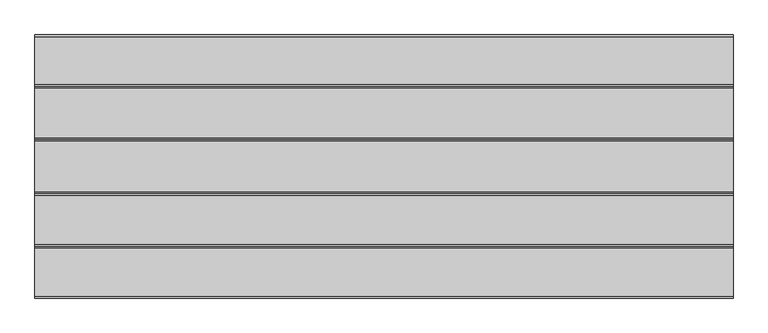
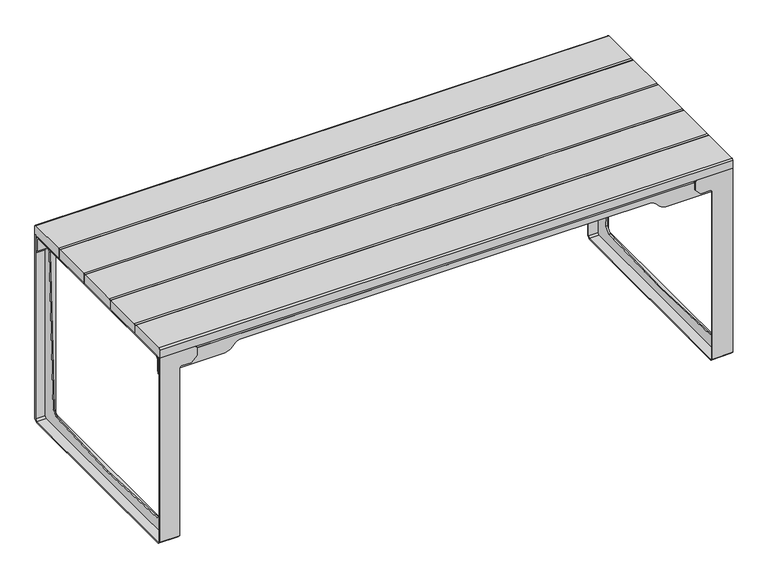
"""IFC4 building model written with IfcOpenShell, lengths in millimetres: furniture geometry."""

from ifc_helpers import new_model, si_unit, point, frame, frame_2d, origin, place, context, project, spatial, polyline, circle_curve, trimmed, segment, composite_curve, outline, extrude, faceted_brep, source, transform, mapped, element, save


def furniture_92be0917(model_context):
    return source(origin(), model_context, "Body", "SolidModel", [
        faceted_brep([(952.0001083, 356.999978, 685.0000125), (952.0001083, 366.9999853, 675.0000051), (952.0001083, 366.9999853, 673.9999935), (952.0001083, 355.9999663, 685.0000125), (995.0, -356.9999927, 685.0000125), (995.0, -367.0, 675.0000051), (995.0, -367.0, 631.0000019), (995.0, -363.0, 631.0000019), (995.0, -363.0, 675.0000017), (995.0, -356.9999995, 681.0000023), (995.0, 356.0000027, 681.0000023), (995.0, 361.9999998, 675.0000051), (995.0, 361.9999998, 631.0000019), (995.0, 366.9999853, 631.0000019), (995.0, 366.9999853, 675.0000051), (995.0, 356.999978, 685.0000125), (854.9992432, -356.9999995, 681.0000023), (854.9992432, 355.9999663, 681.0000023), (854.9992432, 355.9999663, 685.0000125), (854.9992432, -356.9999927, 685.0000125), (854.9992432, 361.9999816, 675.0000233), (854.9992432, 361.9999998, 631.0000019), (854.9992432, 366.9999853, 631.0000019), (854.9992432, 366.9999853, 673.9999935), (854.9992432, -367.0, 675.0000051), (854.9992432, -367.0, 631.0000019), (854.9992432, -363.0, 631.0000019), (854.9992432, -363.0, 675.0000017)], [[[0, 1, 2, 3]], [[4, 5, 6, 7, 8, 9, 10, 11, 12, 13, 14, 15]], [[10, 9, 16, 17]], [[4, 15, 0, 3, 18, 19]], [[11, 10, 17, 20]], [[12, 11, 20, 21]], [[13, 12, 21, 22]], [[14, 13, 22, 23, 2, 1]], [[1, 0, 15, 14]], [[5, 4, 19, 24]], [[6, 5, 24, 25]], [[7, 6, 25, 26]], [[8, 7, 26, 27]], [[16, 9, 8, 27]], [[18, 23, 22, 21, 20, 17, 16, 27, 26, 25, 24, 19]], [[23, 18, 3, 2]]]),
        faceted_brep([(925.0002029, -364.9999995, 4.0), (925.0002029, 364.999996, 4.0), (925.0002029, 370.9999955, 9.9999995), (925.0002029, 370.9999955, 626.0000164), (925.0002029, 375.0000057, 625.9997257), (925.0002029, 375.0000057, 10.000004), (925.0002029, 365.0000017, 0.0), (925.0002029, -364.9999995, 0.0), (925.0002029, -375.0, 10.0000005), (925.0002029, -375.0, 626.0000164), (925.0002029, -371.0, 625.9997257), (925.0002029, -371.0, 10.0000005), (995.0, -364.9999995, 4.0), (995.0, -371.0, 10.0000005), (995.0, -371.0, 685.0000125), (995.0, -375.0, 685.0000125), (995.0, -375.0, 10.0000005), (995.0, -364.9999995, 0.0), (995.0, 365.0000017, 0.0), (995.0, 375.0000057, 10.000004), (995.0, 375.0000057, 685.0000125), (995.0, 371.0000057, 685.0000125), (995.0, 370.9999955, 9.9999995), (995.0, 364.999996, 4.0), (919.9999268, -371.0, 631.0000019), (884.9998102, -371.0, 631.0000019), (864.9997955, -371.0, 651.0000166), (864.9997955, -371.0, 679.9997363), (870.0000717, -371.0, 685.0000125), (870.0000717, -375.0, 685.0000125), (864.9997955, -375.0, 679.9997363), (864.9997955, -375.0, 651.0000166), (884.9998102, -375.0, 631.0000019), (919.9999268, -375.0, 631.0000019), (919.9999268, 375.0000057, 631.0000019), (884.9998102, 375.0000057, 631.0000019), (864.9997955, 375.0000057, 651.0000166), (864.9997955, 375.0000057, 679.9997363), (870.0000717, 375.0000057, 685.0000125), (870.0000717, 370.9999955, 685.0000125), (864.9997955, 370.9999955, 679.9997363), (864.9997955, 370.9999955, 651.0000166), (884.9998102, 370.9999955, 631.0000019), (919.9999268, 370.9999955, 631.0000019)], [[[0, 1, 2, 3, 4, 5, 6, 7, 8, 9, 10, 11]], [[12, 13, 14, 15, 16, 17, 18, 19, 20, 21, 22, 23]], [[0, 11, 13, 12]], [[11, 10, 24, 25, 26, 27, 28, 14, 13]], [[9, 8, 16, 15, 29, 30, 31, 32, 33]], [[8, 7, 17, 16]], [[7, 6, 18, 17]], [[6, 5, 19, 18]], [[5, 4, 34, 35, 36, 37, 38, 20, 19]], [[3, 2, 22, 21, 39, 40, 41, 42, 43]], [[2, 1, 23, 22]], [[1, 0, 12, 23]], [[9, 33, 24, 10]], [[33, 32, 25, 24]], [[32, 31, 26, 25]], [[31, 30, 27, 26]], [[30, 29, 28, 27]], [[29, 15, 14, 28]], [[34, 4, 3, 43]], [[35, 34, 43, 42]], [[36, 35, 42, 41]], [[37, 36, 41, 40]], [[38, 37, 40, 39]], [[20, 38, 39, 21]]]),
        extrude(outline(polyline([(370.9999955, 10.9999996), (364.999996, 5.0), (-3.1186696, 5.0), (-365.0000005, 5.0), (-371.0, 10.9999996), (-371.0, 631.0000019), (-350.1053205, 631.0000019), (-345.6318174, 626.0000048), (-322.3575365, 63.5322821), (-304.0291968, 45.2039425), (-2.2e-06, 31.9962434), (304.0291924, 45.2039425), (322.357532, 63.5322821), (345.6318129, 626.0000048), (350.105316, 631.0000019), (370.9999955, 631.0000019), (370.9999955, 10.9999996)])), frame((957.9999329, 0.0, 0.0), z_axis=(1.0, 0.0, 0.0), x_axis=(0.0, 1.0, 0.0)), (0.0, 0.0, 1.0), 3.9997559),
        faceted_brep([(-952.0001083, 366.9999853, 675.0000051), (-952.0001083, 356.999978, 685.0000125), (-952.0001083, 355.9999663, 685.0000125), (-952.0001083, 366.9999853, 673.9999935), (-995.0, -356.9999927, 685.0000125), (-995.0, 356.999978, 685.0000125), (-995.0, 366.9999853, 675.0000051), (-995.0, 366.9999853, 631.0000019), (-995.0, 361.9999998, 631.0000019), (-995.0, 361.9999998, 675.0000051), (-995.0, 356.0000027, 681.0000023), (-995.0, -356.9999995, 681.0000023), (-995.0, -363.0, 675.0000017), (-995.0, -363.0, 631.0000019), (-995.0, -367.0, 631.0000019), (-995.0, -367.0, 675.0000051), (-854.9992432, 355.9999663, 681.0000023), (-854.9992432, -356.9999995, 681.0000023), (-854.9992432, -356.9999927, 685.0000125), (-854.9992432, 355.9999663, 685.0000125), (-854.9992432, 361.9999816, 675.0000233), (-854.9992432, 361.9999998, 631.0000019), (-854.9992432, 366.9999853, 631.0000019), (-854.9992432, 366.9999853, 673.9999935), (-854.9992432, -367.0, 675.0000051), (-854.9992432, -367.0, 631.0000019), (-854.9992432, -363.0, 631.0000019), (-854.9992432, -363.0, 675.0000017)], [[[0, 1, 2, 3]], [[4, 5, 6, 7, 8, 9, 10, 11, 12, 13, 14, 15]], [[11, 10, 16, 17]], [[5, 4, 18, 19, 2, 1]], [[16, 10, 9, 20]], [[20, 9, 8, 21]], [[21, 8, 7, 22]], [[22, 7, 6, 0, 3, 23]], [[1, 0, 6, 5]], [[18, 4, 15, 24]], [[24, 15, 14, 25]], [[25, 14, 13, 26]], [[26, 13, 12, 27]], [[27, 12, 11, 17]], [[19, 18, 24, 25, 26, 27, 17, 16, 20, 21, 22, 23]], [[19, 23, 3, 2]]]),
        faceted_brep([(-925.0002029, -364.9999995, 4.0), (-925.0002029, -371.0, 10.0000005), (-925.0002029, -371.0, 626.0000164), (-925.0002029, -375.0, 625.9997257), (-925.0002029, -375.0, 10.0000005), (-925.0002029, -364.9999995, 0.0), (-925.0002029, 365.0000017, 0.0), (-925.0002029, 375.0000057, 10.000004), (-925.0002029, 375.0000057, 626.0000164), (-925.0002029, 371.0000057, 625.9997257), (-925.0002029, 370.9999955, 9.9999995), (-925.0002029, 364.999996, 4.0), (-995.0, -364.9999995, 4.0), (-995.0, 364.999996, 4.0), (-995.0, 370.9999955, 9.9999995), (-995.0, 371.0000057, 685.0000125), (-995.0, 375.0000057, 685.0000125), (-995.0, 375.0000057, 10.000004), (-995.0, 365.0000017, 0.0), (-995.0, -364.9999995, 0.0), (-995.0, -375.0, 10.0000005), (-995.0, -375.0, 685.0000125), (-995.0, -371.0, 685.0000125), (-995.0, -371.0, 10.0000005), (-870.0000717, -371.0, 685.0000125), (-864.9997955, -371.0, 679.9997363), (-864.9997955, -371.0, 651.0000166), (-884.9998102, -371.0, 631.0000019), (-919.9999268, -371.0, 631.0000019), (-919.9999268, -375.0, 631.0000019), (-884.9998102, -375.0, 631.0000019), (-864.9997955, -375.0, 651.0000166), (-864.9997955, -375.0, 679.9997363), (-870.0000717, -375.0, 685.0000125), (-870.0000717, 375.0000057, 685.0000125), (-864.9997955, 375.0000057, 679.9997363), (-864.9997955, 375.0000057, 651.0000166), (-884.9998102, 375.0000057, 631.0000019), (-919.9999268, 375.0000057, 631.0000019), (-919.9999268, 370.9999955, 631.0000019), (-884.9998102, 370.9999955, 631.0000019), (-864.9997955, 370.9999955, 651.0000166), (-864.9997955, 370.9999955, 679.9997363), (-870.0000717, 370.9999955, 685.0000125)], [[[0, 1, 2, 3, 4, 5, 6, 7, 8, 9, 10, 11]], [[12, 13, 14, 15, 16, 17, 18, 19, 20, 21, 22, 23]], [[1, 0, 12, 23]], [[2, 1, 23, 22, 24, 25, 26, 27, 28]], [[4, 3, 29, 30, 31, 32, 33, 21, 20]], [[5, 4, 20, 19]], [[6, 5, 19, 18]], [[7, 6, 18, 17]], [[8, 7, 17, 16, 34, 35, 36, 37, 38]], [[10, 9, 39, 40, 41, 42, 43, 15, 14]], [[11, 10, 14, 13]], [[0, 11, 13, 12]], [[29, 3, 2, 28]], [[30, 29, 28, 27]], [[31, 30, 27, 26]], [[32, 31, 26, 25]], [[33, 32, 25, 24]], [[21, 33, 24, 22]], [[8, 38, 39, 9]], [[38, 37, 40, 39]], [[37, 36, 41, 40]], [[36, 35, 42, 41]], [[35, 34, 43, 42]], [[34, 16, 15, 43]]]),
        extrude(outline(composite_curve([segment(polyline([(623.0000178, -995.0), (623.0000178, -765.8084885)]), True, "CONTINUOUS"), segment(trimmed(circle_curve(frame_2d((653.0000178, -765.8084885)), 30.0), [point((623.0000178, -765.8084885))], [point((631.7868144, -744.595285))], False, "CARTESIAN"), True, "CONTINUOUS"), segment(polyline([(631.7868144, -744.595285), (646.2132302, -730.1688692)]), True, "CONTINUOUS"), segment(trimmed(circle_curve(frame_2d((625.0000268, -708.9556658)), 30.0), [point((646.2132302, -730.1688692))], [point((655.0000268, -708.9556658))], True, "CARTESIAN"), True, "CONTINUOUS"), segment(polyline([(655.0000268, -708.9556658), (655.0000268, 0.0), (655.0000268, 708.9556658)]), True, "CONTINUOUS"), segment(trimmed(circle_curve(frame_2d((625.0000268, 708.9556658)), 30.0), [point((655.0000268, 708.9556658))], [point((646.2132302, 730.1688692))], True, "CARTESIAN"), True, "CONTINUOUS"), segment(polyline([(646.2132302, 730.1688692), (631.7868144, 744.595285)]), True, "CONTINUOUS"), segment(trimmed(circle_curve(frame_2d((653.0000178, 765.8084885)), 30.0), [point((631.7868144, 744.595285))], [point((623.0000178, 765.8084885))], False, "CARTESIAN"), True, "CONTINUOUS"), segment(polyline([(623.0000178, 765.8084885), (623.0000178, 995.0), (675.0000017, 995.0), (675.0000017, -995.0), (623.0000178, -995.0)]), True, "CONTINUOUS")], self_intersect=False)), frame((0.0, -371.0, 0.0), z_axis=(0.0, 1.0, 0.0), x_axis=(0.0, 0.0, 1.0)), (0.0, 0.0, 1.0), 4.0),
        extrude(outline(polyline([(-361.0000029, 681.0000023), (-367.0, 675.0000051), (-371.0, 675.0000051), (-360.9999927, 685.0000125), (-356.9999927, 685.0000125), (-356.9999927, 681.0000023), (-361.0000029, 681.0000023)])), frame((-891.9997009, 0.0, 0.0), z_axis=(1.0, 0.0, 0.0), x_axis=(0.0, 1.0, 0.0)), (0.0, 0.0, 1.0), 1783.9994018),
        extrude(outline(polyline([(361.0000347, 681.0000023), (357.0000245, 681.0000023), (357.0000245, 685.0000125), (361.0000245, 685.0000125), (371.0000319, 675.0000051), (367.0000319, 675.0000051), (361.0000347, 681.0000023)])), frame((-891.9997009, 0.0, 0.0), z_axis=(1.0, 0.0, 0.0), x_axis=(0.0, 1.0, 0.0)), (0.0, 0.0, 1.0), 1783.9994018),
        extrude(outline(composite_curve([segment(polyline([(623.0000178, -995.0), (623.0000178, -765.8084885)]), True, "CONTINUOUS"), segment(trimmed(circle_curve(frame_2d((653.0000178, -765.8084885)), 30.0), [point((623.0000178, -765.8084885))], [point((631.7868144, -744.595285))], False, "CARTESIAN"), True, "CONTINUOUS"), segment(polyline([(631.7868144, -744.595285), (646.2132302, -730.1688692)]), True, "CONTINUOUS"), segment(trimmed(circle_curve(frame_2d((625.0000268, -708.9556658)), 30.0), [point((646.2132302, -730.1688692))], [point((655.0000268, -708.9556658))], True, "CARTESIAN"), True, "CONTINUOUS"), segment(polyline([(655.0000268, -708.9556658), (655.0000268, 0.0), (655.0000268, 708.9556658)]), True, "CONTINUOUS"), segment(trimmed(circle_curve(frame_2d((625.0000268, 708.9556658)), 30.0), [point((655.0000268, 708.9556658))], [point((646.2132302, 730.1688692))], True, "CARTESIAN"), True, "CONTINUOUS"), segment(polyline([(646.2132302, 730.1688692), (631.7868144, 744.595285)]), True, "CONTINUOUS"), segment(trimmed(circle_curve(frame_2d((653.0000178, 765.8084885)), 30.0), [point((631.7868144, 744.595285))], [point((623.0000178, 765.8084885))], False, "CARTESIAN"), True, "CONTINUOUS"), segment(polyline([(623.0000178, 765.8084885), (623.0000178, 995.0), (675.0000017, 995.0), (675.0000017, -995.0), (623.0000178, -995.0)]), True, "CONTINUOUS")], self_intersect=False)), frame((0.0, 367.0000319, 0.0), z_axis=(0.0, 1.0, 0.0), x_axis=(0.0, 0.0, 1.0)), (0.0, 0.0, 1.0), 4.0),
        extrude(outline(polyline([(370.9999955, 10.9999996), (364.999996, 5.0), (-3.1186696, 5.0), (-365.0000005, 5.0), (-371.0, 10.9999996), (-371.0, 631.0000019), (-350.1053205, 631.0000019), (-345.6318174, 626.0000048), (-322.3575365, 63.5322821), (-304.0291968, 45.2039425), (-2.2e-06, 31.9962434), (304.0291924, 45.2039425), (322.357532, 63.5322821), (345.6318129, 626.0000048), (350.105316, 631.0000019), (370.9999955, 631.0000019), (370.9999955, 10.9999996)])), frame((-961.9996887, 0.0, 0.0), z_axis=(1.0, 0.0, 0.0), x_axis=(0.0, 1.0, 0.0)), (0.0, 0.0, 1.0), 3.9997559),
        extrude(outline(composite_curve([segment(trimmed(circle_curve(frame_2d((72.2500086, 715.00002)), 5.0), [point((72.2500086, 720.00002))], [point((77.2500086, 715.00002))], False, "CARTESIAN"), True, "CONTINUOUS"), segment(polyline([(77.2500086, 715.00002), (77.2500086, 685.0000125), (-77.2499995, 685.0000125), (-77.2499995, 715.00002)]), True, "CONTINUOUS"), segment(trimmed(circle_curve(frame_2d((-72.2499995, 715.00002)), 5.0), [point((-77.2499995, 715.00002))], [point((-72.2499995, 720.00002))], False, "CARTESIAN"), True, "CONTINUOUS"), segment(polyline([(-72.2499995, 720.00002), (72.2500086, 720.00002)]), True, "CONTINUOUS")], self_intersect=False)), frame((-995.0, 0.0, 0.0), z_axis=(1.0, 0.0, 0.0), x_axis=(0.0, 1.0, 0.0)), (0.0, 0.0, 1.0), 1990.0),
        extrude(outline(composite_curve([segment(trimmed(circle_curve(frame_2d((-232.7499838, 715.00002)), 5.0), [point((-232.7499838, 720.00002))], [point((-227.7499838, 715.00002))], False, "CARTESIAN"), True, "CONTINUOUS"), segment(polyline([(-227.7499838, 715.00002), (-227.7499838, 685.0000125), (-374.9999898, 685.0000125), (-374.9999898, 715.00002)]), True, "CONTINUOUS"), segment(trimmed(circle_curve(frame_2d((-369.9999898, 715.00002)), 5.0), [point((-374.9999898, 715.00002))], [point((-369.9999898, 720.00002))], False, "CARTESIAN"), True, "CONTINUOUS"), segment(polyline([(-369.9999898, 720.00002), (-232.7499838, 720.00002)]), True, "CONTINUOUS")], self_intersect=False)), frame((-995.0, 0.0, 0.0), z_axis=(1.0, 0.0, 0.0), x_axis=(0.0, 1.0, 0.0)), (0.0, 0.0, 1.0), 1990.0),
        extrude(outline(composite_curve([segment(polyline([(232.7499838, 720.00002), (370.0000392, 720.00002)]), True, "CONTINUOUS"), segment(trimmed(circle_curve(frame_2d((370.0000392, 715.00002)), 5.0), [point((370.0000392, 720.00002))], [point((375.0000392, 715.00002))], False, "CARTESIAN"), True, "CONTINUOUS"), segment(polyline([(375.0000392, 715.00002), (375.0000392, 685.0000125), (227.7499838, 685.0000125), (227.7499838, 715.00002)]), True, "CONTINUOUS"), segment(trimmed(circle_curve(frame_2d((232.7499838, 715.00002)), 5.0), [point((227.7499838, 715.00002))], [point((232.7499838, 720.00002))], False, "CARTESIAN"), True, "CONTINUOUS")], self_intersect=False)), frame((-995.0, 0.0, 0.0), z_axis=(1.0, 0.0, 0.0), x_axis=(0.0, 1.0, 0.0)), (0.0, 0.0, 1.0), 1990.0),
        extrude(outline(composite_curve([segment(trimmed(circle_curve(frame_2d((222.7499838, 715.00002)), 5.0), [point((222.7499838, 720.00002))], [point((227.7499838, 715.00002))], False, "CARTESIAN"), True, "CONTINUOUS"), segment(polyline([(227.7499838, 715.00002), (227.7499838, 685.0000125), (77.2500086, 685.0000125), (77.2500086, 715.00002)]), True, "CONTINUOUS"), segment(trimmed(circle_curve(frame_2d((82.2500086, 715.00002)), 5.0), [point((77.2500086, 715.00002))], [point((82.2500086, 720.00002))], False, "CARTESIAN"), True, "CONTINUOUS"), segment(polyline([(82.2500086, 720.00002), (222.7499838, 720.00002)]), True, "CONTINUOUS")], self_intersect=False)), frame((-995.0, 0.0, 0.0), z_axis=(1.0, 0.0, 0.0), x_axis=(0.0, 1.0, 0.0)), (0.0, 0.0, 1.0), 1990.0),
        extrude(outline(composite_curve([segment(polyline([(-222.7499838, 720.00002), (-82.2499995, 720.00002)]), True, "CONTINUOUS"), segment(trimmed(circle_curve(frame_2d((-82.2499995, 715.00002)), 5.0), [point((-82.2499995, 720.00002))], [point((-77.2499995, 715.00002))], False, "CARTESIAN"), True, "CONTINUOUS"), segment(polyline([(-77.2499995, 715.00002), (-77.2499995, 685.0000125), (-227.7499838, 685.0000125), (-227.7499838, 715.00002)]), True, "CONTINUOUS"), segment(trimmed(circle_curve(frame_2d((-222.7499838, 715.00002)), 5.0), [point((-227.7499838, 715.00002))], [point((-222.7499838, 720.00002))], False, "CARTESIAN"), True, "CONTINUOUS")], self_intersect=False)), frame((-995.0, 0.0, 0.0), z_axis=(1.0, 0.0, 0.0), x_axis=(0.0, 1.0, 0.0)), (0.0, 0.0, 1.0), 1990.0),
    ])


if __name__ == "__main__":
    model = new_model("IFC4")
    model_context = context("Model", 3, world=origin())
    ifc_project = project(units=[si_unit("LENGTHUNIT", "METRE", prefix="MILLI")], contexts=[model_context])
    site = spatial("IfcSite", under=ifc_project)
    building = spatial("IfcBuilding", under=site)
    placement = place(None, origin())
    furniture_shape = furniture_92be0917(model_context)
    element("IfcFurniture", 1, at=placement, inside=building, context=model_context, shape_type="MappedRepresentation", body=[
        mapped(furniture_shape, transform((0.0, 0.0, 0.0), x_axis=(1.0, 0.0, 0.0), y_axis=(0.0, 1.0, 0.0), z_axis=(0.0, 0.0, 1.0))),
    ])
    save(model, "model.ifc")
